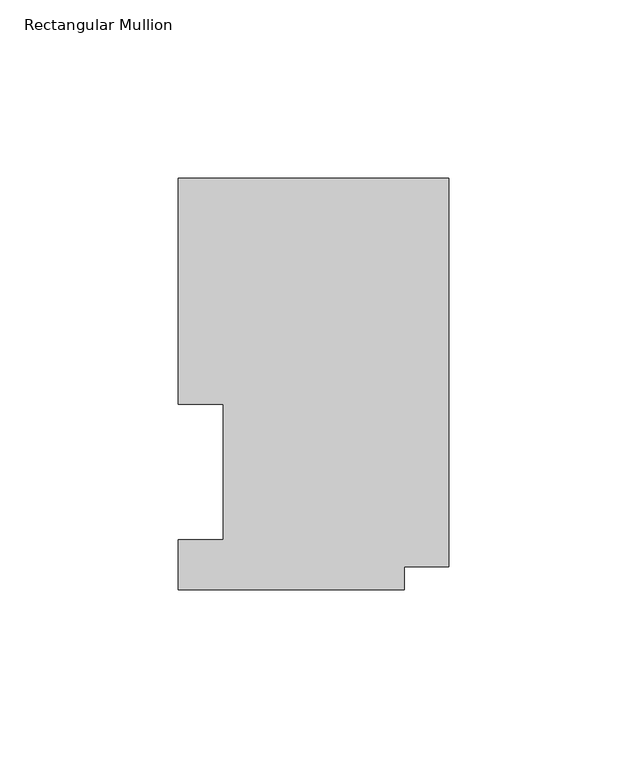
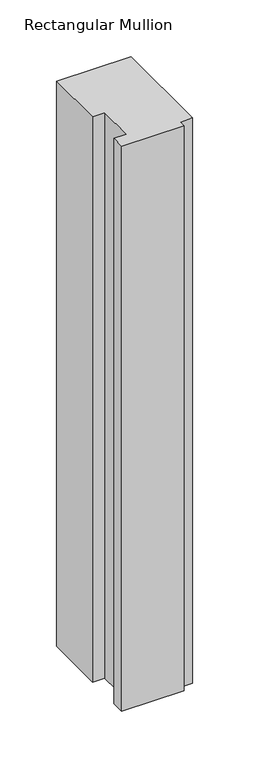
"""IFC4 building model written with IfcOpenShell, lengths in millimetres: member geometry, Rectangular Mullion."""

import ifcopenshell
import ifcopenshell.guid

model = None  # the IFC model being written
_history = None  # IfcOwnerHistory: only IFC2X3 demands one
_inside = {}  # id of a spatial element -> (the spatial element, [elements in it])
_under = {}  # id of a project, library or spatial element -> (it, [spatial elements below it])
_declared = {}  # id of a project -> (the project, [libraries it declares])
_typed = {}  # id of a type object -> (the type object, [elements of that type])
_made_of = {}  # id of a material, layer set ... -> (it, [elements and type objects made of it])


def new_model(schema):
    """Start an empty IFC model of exactly this schema.

    Asked for "IFC4X3", IfcOpenShell would pick the latest addendum, in which some entities
    have other attributes; the version numbers below select the first issue.
    IFC2X3 requires an IfcOwnerHistory on every rooted entity: one is made here for all.
    """
    global model, _history
    if schema == "IFC4X3":
        model = ifcopenshell.file(schema_version=(4, 3, 0, 0))
    else:
        model = ifcopenshell.file(schema=schema)
    _inside.clear()
    _under.clear()
    _declared.clear()
    _typed.clear()
    _made_of.clear()
    _history = None
    if model.schema == "IFC2X3":
        org = make("IfcOrganization", Name="unknown")
        user = make(
            "IfcPersonAndOrganization",
            ThePerson=make("IfcPerson", FamilyName="unknown"),
            TheOrganization=org,
        )
        app = make(
            "IfcApplication",
            ApplicationDeveloper=org,
            Version="unknown",
            ApplicationFullName="unknown",
            ApplicationIdentifier="unknown",
        )
        _history = make(
            "IfcOwnerHistory",
            OwningUser=user,
            OwningApplication=app,
            ChangeAction="ADDED",
            CreationDate=0,
        )
    return model


def make(cls, **values):
    """One entity of the class cls with the attributes given. An attribute that is None is left unset."""
    return model.create_entity(
        cls, **{name: value for name, value in values.items() if value is not None}
    )


def rooted(cls, **values):
    """An entity with a GlobalId (a new one), such as an element, a storey or a relation."""
    return make(cls, GlobalId=ifcopenshell.guid.new(), OwnerHistory=_history, **values)


def si_unit(unit_type, name, prefix=None):
    """IfcSIUnit, for example si_unit("LENGTHUNIT", "METRE", prefix="MILLI")."""
    return make("IfcSIUnit", UnitType=unit_type, Prefix=prefix, Name=name)


def assignment(units):
    """IfcUnitAssignment: the units of a project."""
    return None if units is None else make("IfcUnitAssignment", Units=units)


def point(xyz):
    """IfcCartesianPoint."""
    return None if xyz is None else make("IfcCartesianPoint", Coordinates=xyz)


def direction(xyz):
    """IfcDirection."""
    return None if xyz is None else make("IfcDirection", DirectionRatios=xyz)


def frame(location, z_axis=None, x_axis=None):
    """IfcAxis2Placement3D, a coordinate frame: its origin and axes. An axis left out is left unset."""
    return make(
        "IfcAxis2Placement3D",
        Location=point(location),
        Axis=direction(z_axis),
        RefDirection=direction(x_axis),
    )


def origin():
    """The frame at (0, 0, 0) with its axes left unset."""
    return frame((0.0, 0.0, 0.0))


def place(relative_to, where):
    """IfcLocalPlacement: puts the frame where relative to a parent placement (None: the world)."""
    return make(
        "IfcLocalPlacement", PlacementRelTo=relative_to, RelativePlacement=where
    )


def context(
    kind, dimensions, precision=None, world=None, true_north=None, identifier=None
):
    """IfcGeometricRepresentationContext, for example the 3D "Model" context."""
    return make(
        "IfcGeometricRepresentationContext",
        ContextIdentifier=identifier,
        ContextType=kind,
        CoordinateSpaceDimension=dimensions,
        Precision=precision,
        WorldCoordinateSystem=world,
        TrueNorth=true_north,
    )


def project(units=None, contexts=None):
    """IfcProject with its units and contexts."""
    return rooted(
        "IfcProject",
        Name="project",
        RepresentationContexts=contexts,
        UnitsInContext=assignment(units),
    )


def spatial(cls, under=None, at=None, **own):
    """A site, building, storey or space (cls), placed at a placement, below another one or the project."""
    s = rooted(cls, ObjectPlacement=at, **own)
    if under is not None:
        _under.setdefault(under.id(), (under, []))[1].append(s)
    return s


def polyline(points):
    """IfcPolyline through the points."""
    return make("IfcPolyline", Points=[point(p) for p in points])


def outline(outer, holes=None, kind="AREA"):
    """IfcArbitraryClosedProfileDef: a profile drawn as a closed curve; with holes, ...WithVoids."""
    if holes is None:
        return make("IfcArbitraryClosedProfileDef", ProfileType=kind, OuterCurve=outer)
    return make(
        "IfcArbitraryProfileDefWithVoids",
        ProfileType=kind,
        OuterCurve=outer,
        InnerCurves=holes,
    )


def extrude(swept, where, along, depth):
    """IfcExtrudedAreaSolid: the profile swept, set in the frame where, extruded along a direction by depth."""
    return make(
        "IfcExtrudedAreaSolid",
        SweptArea=swept,
        Position=where,
        ExtrudedDirection=direction(along),
        Depth=depth,
    )


def shape(context_of_items, identifier, shape_type, items):
    """IfcShapeRepresentation: the items that make up one representation, for example the "Body"."""
    return make(
        "IfcShapeRepresentation",
        ContextOfItems=context_of_items,
        RepresentationIdentifier=identifier,
        RepresentationType=shape_type,
        Items=items,
    )


def source(mapping_origin, context_of_items, identifier, shape_type, items):
    """IfcRepresentationMap: a shape defined once, which mapped items show again and again."""
    return make(
        "IfcRepresentationMap",
        MappingOrigin=mapping_origin,
        MappedRepresentation=shape(context_of_items, identifier, shape_type, items),
    )


def transform(
    local_origin,
    x_axis=None,
    y_axis=None,
    z_axis=None,
    scale=None,
    scale2=None,
    scale3=None,
    uniform=True,
):
    """IfcCartesianTransformationOperator3D, or its non-uniform kind. x_axis, y_axis, z_axis: its Axis1, 2, 3."""
    if uniform:
        return make(
            "IfcCartesianTransformationOperator3D",
            Axis1=direction(x_axis),
            Axis2=direction(y_axis),
            LocalOrigin=point(local_origin),
            Scale=scale,
            Axis3=direction(z_axis),
        )
    return make(
        "IfcCartesianTransformationOperator3DnonUniform",
        Axis1=direction(x_axis),
        Axis2=direction(y_axis),
        LocalOrigin=point(local_origin),
        Scale=scale,
        Axis3=direction(z_axis),
        Scale2=scale2,
        Scale3=scale3,
    )


def mapped(mapping_source, mapping_target):
    """IfcMappedItem: shows the shape of a source again, moved by a transform."""
    return make(
        "IfcMappedItem", MappingSource=mapping_source, MappingTarget=mapping_target
    )


def made_of(thing, what):
    """Note that an element or type object is made of a material, layer set ...; save() writes the relation."""
    if what is not None:
        _made_of.setdefault(what.id(), (what, []))[1].append(thing)
    return thing


def element(
    cls,
    number,
    at=None,
    inside=None,
    cuts=None,
    type_object=None,
    material=None,
    context=None,
    identifier="Body",
    shape_type=None,
    held_by="IfcProductDefinitionShape",
    body=None,
    shapes=None,
    **own,
):
    """One element of the class cls, such as IfcWall. Its Tag is "e" and its number.

    at: its placement. inside: the storey or other place that contains it. cuts: it is an
    opening in that element (IfcRelVoidsElement). A single representation is given by context,
    identifier, shape_type and body (its items); several are given by shapes. held_by: the class
    of the entity that holds the representations. save() writes the other relations.
    """
    e = rooted(cls, Tag="e%d" % number, ObjectPlacement=at, **own)
    if body is not None:
        shapes = [shape(context, identifier, shape_type, body)]
    if shapes is not None:
        e.Representation = make(held_by, Representations=shapes)
    if inside is not None:
        _inside.setdefault(inside.id(), (inside, []))[1].append(e)
    if cuts is not None:
        rooted(
            "IfcRelVoidsElement", RelatingBuildingElement=cuts, RelatedOpeningElement=e
        )
    if type_object is not None:
        _typed.setdefault(type_object.id(), (type_object, []))[1].append(e)
    return made_of(e, material)


def aggregate(whole, parts):
    """IfcRelAggregates: a whole, such as a stair, and the parts it consists of."""
    return rooted("IfcRelAggregates", RelatingObject=whole, RelatedObjects=parts)


def save(model, path):
    """Write the relations noted so far, then the file.

    IfcRelAggregates (storeys below a building ...), IfcRelContainedInSpatialStructure (elements
    in a storey), IfcRelDefinesByType, IfcRelAssociatesMaterial and IfcRelDeclares: one each for
    every whole, place, type object, material and project.
    """
    for whole, parts in _under.values():
        aggregate(whole, parts)
    for where, things in _inside.values():
        rooted(
            "IfcRelContainedInSpatialStructure",
            RelatedElements=things,
            RelatingStructure=where,
        )
    for kind, things in _typed.values():
        rooted("IfcRelDefinesByType", RelatedObjects=things, RelatingType=kind)
    for what, things in _made_of.values():
        rooted("IfcRelAssociatesMaterial", RelatedObjects=things, RelatingMaterial=what)
    for by, libraries in _declared.values():
        rooted("IfcRelDeclares", RelatingContext=by, RelatedDefinitions=libraries)
    model.write(path)


def rectangular_mullion_fddc87c0(model_context):
    return source(origin(), model_context, "Body", "SweptSolid", [
        extrude(outline(polyline([(0.0, 115.5898607), (0.0, 6.3856708), (-12.5262802, 6.3856708), (-12.5262802, 0.0198607), (-76.0262802, 0.0198607), (-76.0262802, 13.9898777), (-63.3262802, 13.9898777), (-63.3262802, 52.0898438), (-76.0222, 52.0898438), (-76.0222, 115.5898607), (0.0, 115.5898607)])), frame((0.0, 0.0, -609.6), z_axis=(0.0, 0.0, 1.0), x_axis=(1.0, 0.0, 0.0)), (0.0, 0.0, 1.0), 609.6),
    ])


if __name__ == "__main__":
    model = new_model("IFC4")
    model_context = context("Model", 3, world=origin())
    ifc_project = project(units=[si_unit("LENGTHUNIT", "METRE", prefix="MILLI")], contexts=[model_context])
    site = spatial("IfcSite", under=ifc_project)
    building = spatial("IfcBuilding", under=site)
    placement = place(None, origin())
    rectangular_mullion_shape = rectangular_mullion_fddc87c0(model_context)
    element("IfcMember", 1, ObjectType="Rectangular Mullion", at=placement, inside=building, context=model_context, shape_type="MappedRepresentation", body=[
        mapped(rectangular_mullion_shape, transform((0.0, 0.0, 0.0), x_axis=(1.0, 0.0, 0.0), y_axis=(0.0, 1.0, 0.0), z_axis=(0.0, 0.0, 1.0))),
    ])
    save(model, "model.ifc")
